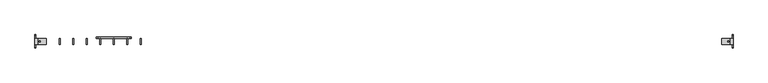
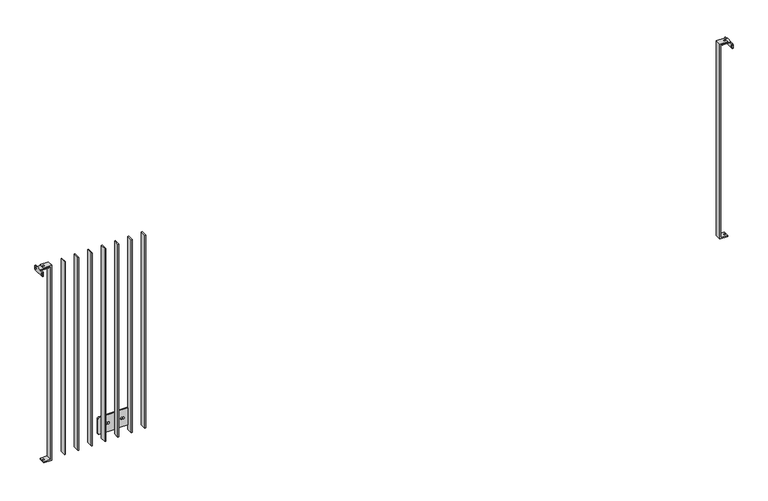
"""IFC4 building model written with IfcOpenShell, lengths in millimetres: railing geometry."""

import ifcopenshell
import ifcopenshell.guid

model = None  # the IFC model being written
_history = None  # IfcOwnerHistory: only IFC2X3 demands one
_inside = {}  # id of a spatial element -> (the spatial element, [elements in it])
_under = {}  # id of a project, library or spatial element -> (it, [spatial elements below it])
_declared = {}  # id of a project -> (the project, [libraries it declares])
_typed = {}  # id of a type object -> (the type object, [elements of that type])
_made_of = {}  # id of a material, layer set ... -> (it, [elements and type objects made of it])


def new_model(schema):
    """Start an empty IFC model of exactly this schema.

    Asked for "IFC4X3", IfcOpenShell would pick the latest addendum, in which some entities
    have other attributes; the version numbers below select the first issue.
    IFC2X3 requires an IfcOwnerHistory on every rooted entity: one is made here for all.
    """
    global model, _history
    if schema == "IFC4X3":
        model = ifcopenshell.file(schema_version=(4, 3, 0, 0))
    else:
        model = ifcopenshell.file(schema=schema)
    _inside.clear()
    _under.clear()
    _declared.clear()
    _typed.clear()
    _made_of.clear()
    _history = None
    if model.schema == "IFC2X3":
        org = make("IfcOrganization", Name="unknown")
        user = make(
            "IfcPersonAndOrganization",
            ThePerson=make("IfcPerson", FamilyName="unknown"),
            TheOrganization=org,
        )
        app = make(
            "IfcApplication",
            ApplicationDeveloper=org,
            Version="unknown",
            ApplicationFullName="unknown",
            ApplicationIdentifier="unknown",
        )
        _history = make(
            "IfcOwnerHistory",
            OwningUser=user,
            OwningApplication=app,
            ChangeAction="ADDED",
            CreationDate=0,
        )
    return model


def make(cls, **values):
    """One entity of the class cls with the attributes given. An attribute that is None is left unset."""
    return model.create_entity(
        cls, **{name: value for name, value in values.items() if value is not None}
    )


def rooted(cls, **values):
    """An entity with a GlobalId (a new one), such as an element, a storey or a relation."""
    return make(cls, GlobalId=ifcopenshell.guid.new(), OwnerHistory=_history, **values)


def si_unit(unit_type, name, prefix=None):
    """IfcSIUnit, for example si_unit("LENGTHUNIT", "METRE", prefix="MILLI")."""
    return make("IfcSIUnit", UnitType=unit_type, Prefix=prefix, Name=name)


def assignment(units):
    """IfcUnitAssignment: the units of a project."""
    return None if units is None else make("IfcUnitAssignment", Units=units)


def point(xyz):
    """IfcCartesianPoint."""
    return None if xyz is None else make("IfcCartesianPoint", Coordinates=xyz)


def direction(xyz):
    """IfcDirection."""
    return None if xyz is None else make("IfcDirection", DirectionRatios=xyz)


def frame(location, z_axis=None, x_axis=None):
    """IfcAxis2Placement3D, a coordinate frame: its origin and axes. An axis left out is left unset."""
    return make(
        "IfcAxis2Placement3D",
        Location=point(location),
        Axis=direction(z_axis),
        RefDirection=direction(x_axis),
    )


def origin():
    """The frame at (0, 0, 0) with its axes left unset."""
    return frame((0.0, 0.0, 0.0))


def place(relative_to, where):
    """IfcLocalPlacement: puts the frame where relative to a parent placement (None: the world)."""
    return make(
        "IfcLocalPlacement", PlacementRelTo=relative_to, RelativePlacement=where
    )


def context(
    kind, dimensions, precision=None, world=None, true_north=None, identifier=None
):
    """IfcGeometricRepresentationContext, for example the 3D "Model" context."""
    return make(
        "IfcGeometricRepresentationContext",
        ContextIdentifier=identifier,
        ContextType=kind,
        CoordinateSpaceDimension=dimensions,
        Precision=precision,
        WorldCoordinateSystem=world,
        TrueNorth=true_north,
    )


def project(units=None, contexts=None):
    """IfcProject with its units and contexts."""
    return rooted(
        "IfcProject",
        Name="project",
        RepresentationContexts=contexts,
        UnitsInContext=assignment(units),
    )


def spatial(cls, under=None, at=None, **own):
    """A site, building, storey or space (cls), placed at a placement, below another one or the project."""
    s = rooted(cls, ObjectPlacement=at, **own)
    if under is not None:
        _under.setdefault(under.id(), (under, []))[1].append(s)
    return s


def polyline(points):
    """IfcPolyline through the points."""
    return make("IfcPolyline", Points=[point(p) for p in points])


def circle_curve(where, radius):
    """IfcCircle in the frame where."""
    return make("IfcCircle", Position=where, Radius=radius)


def outline(outer, holes=None, kind="AREA"):
    """IfcArbitraryClosedProfileDef: a profile drawn as a closed curve; with holes, ...WithVoids."""
    if holes is None:
        return make("IfcArbitraryClosedProfileDef", ProfileType=kind, OuterCurve=outer)
    return make(
        "IfcArbitraryProfileDefWithVoids",
        ProfileType=kind,
        OuterCurve=outer,
        InnerCurves=holes,
    )


def extrude(swept, where, along, depth):
    """IfcExtrudedAreaSolid: the profile swept, set in the frame where, extruded along a direction by depth."""
    return make(
        "IfcExtrudedAreaSolid",
        SweptArea=swept,
        Position=where,
        ExtrudedDirection=direction(along),
        Depth=depth,
    )


def shape(context_of_items, identifier, shape_type, items):
    """IfcShapeRepresentation: the items that make up one representation, for example the "Body"."""
    return make(
        "IfcShapeRepresentation",
        ContextOfItems=context_of_items,
        RepresentationIdentifier=identifier,
        RepresentationType=shape_type,
        Items=items,
    )


def source(mapping_origin, context_of_items, identifier, shape_type, items):
    """IfcRepresentationMap: a shape defined once, which mapped items show again and again."""
    return make(
        "IfcRepresentationMap",
        MappingOrigin=mapping_origin,
        MappedRepresentation=shape(context_of_items, identifier, shape_type, items),
    )


def transform(
    local_origin,
    x_axis=None,
    y_axis=None,
    z_axis=None,
    scale=None,
    scale2=None,
    scale3=None,
    uniform=True,
):
    """IfcCartesianTransformationOperator3D, or its non-uniform kind. x_axis, y_axis, z_axis: its Axis1, 2, 3."""
    if uniform:
        return make(
            "IfcCartesianTransformationOperator3D",
            Axis1=direction(x_axis),
            Axis2=direction(y_axis),
            LocalOrigin=point(local_origin),
            Scale=scale,
            Axis3=direction(z_axis),
        )
    return make(
        "IfcCartesianTransformationOperator3DnonUniform",
        Axis1=direction(x_axis),
        Axis2=direction(y_axis),
        LocalOrigin=point(local_origin),
        Scale=scale,
        Axis3=direction(z_axis),
        Scale2=scale2,
        Scale3=scale3,
    )


def mapped(mapping_source, mapping_target):
    """IfcMappedItem: shows the shape of a source again, moved by a transform."""
    return make(
        "IfcMappedItem", MappingSource=mapping_source, MappingTarget=mapping_target
    )


def made_of(thing, what):
    """Note that an element or type object is made of a material, layer set ...; save() writes the relation."""
    if what is not None:
        _made_of.setdefault(what.id(), (what, []))[1].append(thing)
    return thing


def element(
    cls,
    number,
    at=None,
    inside=None,
    cuts=None,
    type_object=None,
    material=None,
    context=None,
    identifier="Body",
    shape_type=None,
    held_by="IfcProductDefinitionShape",
    body=None,
    shapes=None,
    **own,
):
    """One element of the class cls, such as IfcWall. Its Tag is "e" and its number.

    at: its placement. inside: the storey or other place that contains it. cuts: it is an
    opening in that element (IfcRelVoidsElement). A single representation is given by context,
    identifier, shape_type and body (its items); several are given by shapes. held_by: the class
    of the entity that holds the representations. save() writes the other relations.
    """
    e = rooted(cls, Tag="e%d" % number, ObjectPlacement=at, **own)
    if body is not None:
        shapes = [shape(context, identifier, shape_type, body)]
    if shapes is not None:
        e.Representation = make(held_by, Representations=shapes)
    if inside is not None:
        _inside.setdefault(inside.id(), (inside, []))[1].append(e)
    if cuts is not None:
        rooted(
            "IfcRelVoidsElement", RelatingBuildingElement=cuts, RelatedOpeningElement=e
        )
    if type_object is not None:
        _typed.setdefault(type_object.id(), (type_object, []))[1].append(e)
    return made_of(e, material)


def aggregate(whole, parts):
    """IfcRelAggregates: a whole, such as a stair, and the parts it consists of."""
    return rooted("IfcRelAggregates", RelatingObject=whole, RelatedObjects=parts)


def save(model, path):
    """Write the relations noted so far, then the file.

    IfcRelAggregates (storeys below a building ...), IfcRelContainedInSpatialStructure (elements
    in a storey), IfcRelDefinesByType, IfcRelAssociatesMaterial and IfcRelDeclares: one each for
    every whole, place, type object, material and project.
    """
    for whole, parts in _under.values():
        aggregate(whole, parts)
    for where, things in _inside.values():
        rooted(
            "IfcRelContainedInSpatialStructure",
            RelatedElements=things,
            RelatingStructure=where,
        )
    for kind, things in _typed.values():
        rooted("IfcRelDefinesByType", RelatedObjects=things, RelatingType=kind)
    for what, things in _made_of.values():
        rooted("IfcRelAssociatesMaterial", RelatedObjects=things, RelatingMaterial=what)
    for by, libraries in _declared.values():
        rooted("IfcRelDeclares", RelatingContext=by, RelatedDefinitions=libraries)
    model.write(path)


def plane_surface(at):
    """IfcPlane: the flat surface through the origin of the frame at, square to its z axis."""
    return make("IfcPlane", Position=at)


def cylinder_surface(at, radius):
    """IfcCylindricalSurface: all points at the distance radius from the z axis of the frame at."""
    return make("IfcCylindricalSurface", Position=at, Radius=radius)


def revolved_surface(curve, axis_point, axis_direction):
    """IfcSurfaceOfRevolution: the curve turned about the line through axis_point along axis_direction."""
    return make(
        "IfcSurfaceOfRevolution",
        SweptCurve=make("IfcArbitraryOpenProfileDef", ProfileType="CURVE", Curve=curve),
        AxisPosition=make("IfcAxis1Placement", Location=point(axis_point), Axis=direction(axis_direction)),
    )


def advanced_brep(points, edges, surfaces, faces):
    """IfcAdvancedBrep: a solid bounded by faces that lie on surfaces and meet in shared edges.

    An edge is (start, end): straight between two places in points (the first is 0);
    or (start, end, curve); or (start, end, curve, False) where it runs against its curve.
    A face is (place in surfaces, loops), or (place, loops, False) where it looks against
    its surface's normal. A loop lists edges by number (the first is 1), with a minus sign
    where the edge is run from its end to its start. The first loop is the outer one.
    """
    corners = [point(p) for p in points]
    vertices = [make("IfcVertexPoint", VertexGeometry=c) for c in corners]
    made = []
    for start, end, *more in edges:
        made.append(
            make(
                "IfcEdgeCurve",
                EdgeStart=vertices[start],
                EdgeEnd=vertices[end],
                EdgeGeometry=more[0] if more else make("IfcPolyline", Points=[corners[start], corners[end]]),
                SameSense=more[1] if len(more) > 1 else True,
            )
        )
    hull = []
    for where, loops, *sense in faces:
        bounds = []
        for j, loop in enumerate(loops):
            ring = [make("IfcOrientedEdge", EdgeElement=made[abs(k) - 1], Orientation=k > 0) for k in loop]
            bounds.append(
                make(
                    "IfcFaceOuterBound" if j == 0 else "IfcFaceBound",
                    Bound=make("IfcEdgeLoop", EdgeList=ring),
                    Orientation=True,
                )
            )
        hull.append(make("IfcAdvancedFace", Bounds=bounds, FaceSurface=surfaces[where], SameSense=sense[0] if sense else True))
    return make("IfcAdvancedBrep", Outer=make("IfcClosedShell", CfsFaces=hull))


def railing_6406e5f0(model_context):
    return source(origin(), model_context, "Body", "SolidModel", [
        extrude(outline(polyline([(1837.4711935, -1089.1783245), (1843.4711935, -1089.1783245), (1843.4711935, -1129.1783245), (1837.4711935, -1129.1783245), (1837.4711935, -1089.1783245)])), frame((0.0, 0.0, -182.0), z_axis=(0.0, 0.0, 1.0), x_axis=(1.0, 0.0, 0.0)), (0.0, 0.0, 1.0), 1374.0),
        extrude(outline(polyline([(1747.4711935, -1089.1783245), (1753.4711935, -1089.1783245), (1753.4711935, -1129.1783245), (1747.4711935, -1129.1783245), (1747.4711935, -1089.1783245)])), frame((0.0, 0.0, -182.0), z_axis=(0.0, 0.0, 1.0), x_axis=(1.0, 0.0, 0.0)), (0.0, 0.0, 1.0), 1374.0),
        advanced_brep(
        [(1657.4711935, -1129.1783245, 1192.0), (1657.4711935, -1129.1783245, -182.0), (1663.4711935, -1129.1783245, -182.0), (1663.4711935, -1129.1783245, 1192.0), (1657.4711935, -1089.1783245, 1192.0), (1663.4711935, -1089.1783245, 1192.0), (1663.4711935, -1089.1783245, -30.0), (1657.4711935, -1089.1783245, -30.0), (1663.4711935, -1089.1783245, -182.0), (1657.4711935, -1089.1783245, -182.0), (1657.4711935, -1089.1783245, -150.0), (1663.4711935, -1089.1783245, -150.0), (1765.4711935, -1081.1783245, -150.0), (1555.4711935, -1081.1783245, -150.0), (1545.4711935, -1081.1783245, -140.0), (1545.4711935, -1081.1783245, -40.0), (1555.4711935, -1081.1783245, -30.0), (1765.4711935, -1081.1783245, -30.0), (1775.4711935, -1081.1783245, -40.0), (1775.4711935, -1081.1783245, -140.0), (1615.4711935, -1081.1783245, -97.0), (1615.4711935, -1081.1783245, -83.0), (1605.4711935, -1081.1783245, -83.0), (1605.4711935, -1081.1783245, -97.0), (1705.4711935, -1081.1783245, -97.0), (1715.4711935, -1081.1783245, -97.0), (1715.4711935, -1081.1783245, -83.0), (1705.4711935, -1081.1783245, -83.0), (1765.4711935, -1089.1783245, -150.0), (1775.4711935, -1089.1783245, -140.0), (1775.4711935, -1089.1783245, -40.0), (1765.4711935, -1089.1783245, -30.0), (1705.4711935, -1089.1783245, -97.0), (1705.4711935, -1089.1783245, -83.0), (1715.4711935, -1089.1783245, -83.0), (1715.4711935, -1089.1783245, -97.0), (1555.4711935, -1089.1783245, -30.0), (1545.4711935, -1089.1783245, -40.0), (1545.4711935, -1089.1783245, -140.0), (1555.4711935, -1089.1783245, -150.0), (1615.4711935, -1089.1783245, -97.0), (1605.4711935, -1089.1783245, -97.0), (1605.4711935, -1089.1783245, -83.0), (1615.4711935, -1089.1783245, -83.0)],
        [
            (0, 1),
            (1, 2),
            (2, 3),
            (3, 0),
            (4, 5),
            (5, 6),
            (6, 7),
            (7, 4),
            (8, 9),
            (9, 10),
            (10, 11),
            (11, 8),
            (3, 5),
            (4, 0),
            (7, 10),
            (9, 1),
            (2, 8),
            (11, 6),
            (12, 13),
            (13, 14, circle_curve(frame((1555.4711935, -1081.1783245, -140.0), z_axis=(0.0, 1.0, 0.0), x_axis=(-1.0, 0.0, 0.0)), 10.0)),
            (14, 15),
            (15, 16, circle_curve(frame((1555.4711935, -1081.1783245, -40.0), z_axis=(0.0, 1.0, 0.0), x_axis=(-1.0, 0.0, 0.0)), 10.0)),
            (16, 17),
            (17, 18, circle_curve(frame((1765.4711935, -1081.1783245, -40.0), z_axis=(0.0, 1.0, 0.0), x_axis=(-1.0, 0.0, 0.0)), 10.0)),
            (18, 19),
            (19, 12, circle_curve(frame((1765.4711935, -1081.1783245, -140.0), z_axis=(0.0, 1.0, 0.0), x_axis=(-1.0, 0.0, 0.0)), 10.0)),
            (20, 21, circle_curve(frame((1615.4711935, -1081.1783245, -90.0), z_axis=(0.0, -1.0, 0.0), x_axis=(-1.0, 0.0, 0.0)), 7.0)),
            (21, 22),
            (22, 23, circle_curve(frame((1605.4711935, -1081.1783245, -90.0), z_axis=(0.0, -1.0, 0.0), x_axis=(-1.0, 0.0, 0.0)), 7.0)),
            (23, 20),
            (24, 25),
            (25, 26, circle_curve(frame((1715.4711935, -1081.1783245, -90.0), z_axis=(0.0, -1.0, 0.0), x_axis=(-1.0, 0.0, 0.0)), 7.0)),
            (26, 27),
            (27, 24, circle_curve(frame((1705.4711935, -1081.1783245, -90.0), z_axis=(0.0, -1.0, 0.0), x_axis=(-1.0, 0.0, 0.0)), 7.0)),
            (28, 29, circle_curve(frame((1765.4711935, -1089.1783245, -140.0), z_axis=(0.0, -1.0, 0.0), x_axis=(-1.0, 0.0, 0.0)), 10.0)),
            (29, 30),
            (30, 31, circle_curve(frame((1765.4711935, -1089.1783245, -40.0), z_axis=(0.0, -1.0, 0.0), x_axis=(-1.0, 0.0, 0.0)), 10.0)),
            (31, 6),
            (11, 28),
            (32, 33, circle_curve(frame((1705.4711935, -1089.1783245, -90.0), z_axis=(0.0, 1.0, 0.0), x_axis=(-1.0, 0.0, 0.0)), 7.0)),
            (33, 34),
            (34, 35, circle_curve(frame((1715.4711935, -1089.1783245, -90.0), z_axis=(0.0, 1.0, 0.0), x_axis=(-1.0, 0.0, 0.0)), 7.0)),
            (35, 32),
            (36, 37, circle_curve(frame((1555.4711935, -1089.1783245, -40.0), z_axis=(0.0, -1.0, 0.0), x_axis=(-1.0, 0.0, 0.0)), 10.0)),
            (37, 38),
            (38, 39, circle_curve(frame((1555.4711935, -1089.1783245, -140.0), z_axis=(0.0, -1.0, 0.0), x_axis=(-1.0, 0.0, 0.0)), 10.0)),
            (39, 10),
            (7, 36),
            (40, 41),
            (41, 42, circle_curve(frame((1605.4711935, -1089.1783245, -90.0), z_axis=(0.0, 1.0, 0.0), x_axis=(-1.0, 0.0, 0.0)), 7.0)),
            (42, 43),
            (43, 40, circle_curve(frame((1615.4711935, -1089.1783245, -90.0), z_axis=(0.0, 1.0, 0.0), x_axis=(-1.0, 0.0, 0.0)), 7.0)),
            (12, 28),
            (39, 13),
            (38, 14),
            (37, 15),
            (36, 16),
            (31, 17),
            (30, 18),
            (29, 19),
            (20, 40),
            (43, 21),
            (42, 22),
            (41, 23),
            (24, 32),
            (35, 25),
            (34, 26),
            (33, 27),
        ],
        [
            plane_surface(frame((1657.4711935, -1129.1783245, 1192.0), z_axis=(0.0, -1.0, 0.0), x_axis=(-1.0, 0.0, 0.0))),
            plane_surface(frame((1657.4711935, -1089.1783245, 1192.0), z_axis=(0.0, 1.0, 0.0), x_axis=(1.0, 0.0, 0.0))),
            plane_surface(frame((1657.4711935, -1089.1783245, 1192.0), z_axis=(0.0, 0.0, 1.0), x_axis=(0.0, -1.0, 0.0))),
            plane_surface(frame((1657.4711935, -1089.1783245, -182.0), z_axis=(-1.0, 0.0, 0.0), x_axis=(0.0, -1.0, 0.0))),
            plane_surface(frame((1663.4711935, -1089.1783245, 1192.0), z_axis=(1.0, 0.0, 0.0), x_axis=(0.0, -1.0, 0.0))),
            plane_surface(frame((1570.4711935, -1081.1783245, -150.0), z_axis=(0.0, 1.0, 0.0), x_axis=(-1.0, 0.0, 0.0))),
            plane_surface(frame((1570.4711935, -1089.1783245, -150.0), z_axis=(0.0, -1.0, 0.0), x_axis=(1.0, 0.0, 0.0))),
            plane_surface(frame((1765.4711935, -1081.1783245, -150.0), z_axis=(0.0, 0.0, -1.0), x_axis=(0.0, -1.0, 0.0))),
            cylinder_surface(frame((1555.4711935, -1089.1783245, -140.0), z_axis=(0.0, 1.0, 0.0), x_axis=(-1.0, 0.0, 0.0)), 10.0),
            plane_surface(frame((1545.4711935, -1081.1783245, -140.0), z_axis=(-1.0, 0.0, 0.0), x_axis=(0.0, -1.0, 0.0))),
            cylinder_surface(frame((1555.4711935, -1089.1783245, -40.0), z_axis=(0.0, 1.0, 0.0), x_axis=(-1.0, 0.0, 0.0)), 10.0),
            plane_surface(frame((1555.4711935, -1081.1783245, -30.0), z_axis=(0.0, 0.0, 1.0), x_axis=(0.0, -1.0, 0.0))),
            cylinder_surface(frame((1765.4711935, -1089.1783245, -40.0), z_axis=(0.0, 1.0, 0.0), x_axis=(-1.0, 0.0, 0.0)), 10.0),
            plane_surface(frame((1775.4711935, -1081.1783245, -40.0), z_axis=(1.0, 0.0, 0.0), x_axis=(0.0, -1.0, 0.0))),
            cylinder_surface(frame((1765.4711935, -1089.1783245, -140.0), z_axis=(0.0, 1.0, 0.0), x_axis=(-1.0, 0.0, 0.0)), 10.0),
            revolved_surface(polyline([(1608.4711935, -1089.1783245, -90.0), (1608.4711935, -1081.1783245, -90.0)]), (1615.4711935, -1109.1783245, -90.0), (0.0, -1.0, 0.0)),
            plane_surface(frame((1615.4711935, -1081.1783245, -83.0), z_axis=(0.0, 0.0, -1.0), x_axis=(0.0, -1.0, 0.0))),
            revolved_surface(polyline([(1598.4711935, -1089.1783245, -90.0), (1598.4711935, -1081.1783245, -90.0)]), (1605.4711935, -1109.1783245, -90.0), (0.0, -1.0, 0.0)),
            plane_surface(frame((1605.4711935, -1081.1783245, -97.0), z_axis=(0.0, 0.0, 1.0), x_axis=(0.0, -1.0, 0.0))),
            plane_surface(frame((1705.4711935, -1081.1783245, -97.0), z_axis=(0.0, 0.0, 1.0), x_axis=(0.0, -1.0, 0.0))),
            revolved_surface(polyline([(1708.4711935, -1089.1783245, -90.0), (1708.4711935, -1081.1783245, -90.0)]), (1715.4711935, -1109.1783245, -90.0), (0.0, -1.0, 0.0)),
            plane_surface(frame((1715.4711935, -1081.1783245, -83.0), z_axis=(0.0, 0.0, -1.0), x_axis=(0.0, -1.0, 0.0))),
            revolved_surface(polyline([(1698.4711935, -1089.1783245, -90.0), (1698.4711935, -1081.1783245, -90.0)]), (1705.4711935, -1109.1783245, -90.0), (0.0, -1.0, 0.0)),
            plane_surface(frame((1663.4711935, -1089.1783245, -182.0), z_axis=(0.0, 0.0, -1.0), x_axis=(0.0, -1.0, 0.0))),
        ],
        [
            (0, [[1, 2, 3, 4]]),
            (1, [[5, 6, 7, 8]]),
            (1, [[9, 10, 11, 12]]),
            (2, [[-4, 13, -5, 14]]),
            (3, [[-1, -14, -8, 15, -10, 16]]),
            (4, [[-3, 17, -12, 18, -6, -13]]),
            (5, [[19, 20, 21, 22, 23, 24, 25, 26], [27, 28, 29, 30], [31, 32, 33, 34]]),
            (6, [[35, 36, 37, 38, -18, 39], [40, 41, 42, 43]]),
            (6, [[44, 45, 46, 47, -15, 48], [49, 50, 51, 52]]),
            (7, [[-19, 53, -39, -11, -47, 54]]),
            (8, [[-20, -54, -46, 55]]),
            (9, [[-21, -55, -45, 56]]),
            (10, [[-22, -56, -44, 57]]),
            (11, [[-23, -57, -48, -7, -38, 58]]),
            (12, [[-24, -58, -37, 59]]),
            (13, [[-25, -59, -36, 60]]),
            (14, [[-26, -60, -35, -53]]),
            (15, [[-27, 61, -52, 62]]),
            (16, [[-28, -62, -51, 63]]),
            (17, [[-29, -63, -50, 64]]),
            (18, [[-30, -64, -49, -61]]),
            (19, [[-31, 65, -43, 66]]),
            (20, [[-32, -66, -42, 67]]),
            (21, [[-33, -67, -41, 68]]),
            (22, [[-34, -68, -40, -65]]),
            (23, [[-2, -16, -9, -17]]),
        ],
    ),
        extrude(outline(polyline([(1567.4711935, -1089.1783245), (1573.4711935, -1089.1783245), (1573.4711935, -1129.1783245), (1567.4711935, -1129.1783245), (1567.4711935, -1089.1783245)])), frame((0.0, 0.0, -182.0), z_axis=(0.0, 0.0, 1.0), x_axis=(1.0, 0.0, 0.0)), (0.0, 0.0, 1.0), 1374.0),
        extrude(outline(polyline([(1477.4711935, -1089.1783245), (1483.4711935, -1089.1783245), (1483.4711935, -1129.1783245), (1477.4711935, -1129.1783245), (1477.4711935, -1089.1783245)])), frame((0.0, 0.0, -182.0), z_axis=(0.0, 0.0, 1.0), x_axis=(1.0, 0.0, 0.0)), (0.0, 0.0, 1.0), 1374.0),
        extrude(outline(polyline([(1387.4711935, -1089.1783245), (1393.4711935, -1089.1783245), (1393.4711935, -1129.1783245), (1387.4711935, -1129.1783245), (1387.4711935, -1089.1783245)])), frame((0.0, 0.0, -182.0), z_axis=(0.0, 0.0, 1.0), x_axis=(1.0, 0.0, 0.0)), (0.0, 0.0, 1.0), 1374.0),
        extrude(outline(polyline([(1297.4711935, -1089.1783245), (1303.4711935, -1089.1783245), (1303.4711935, -1129.1783245), (1297.4711935, -1129.1783245), (1297.4711935, -1089.1783245)])), frame((0.0, 0.0, -182.0), z_axis=(0.0, 0.0, 1.0), x_axis=(1.0, 0.0, 0.0)), (0.0, 0.0, 1.0), 1374.0),
        advanced_brep(
        [(5710.4711935, -1129.1783245, 1200.0), (5710.4711935, -1129.1783245, -190.0), (5763.4711935, -1129.1783245, -190.0), (5763.4711935, -1129.1783245, -182.0), (5716.4711935, -1129.1783245, -182.0), (5716.4711935, -1129.1783245, 1192.0), (5763.4711935, -1129.1783245, 1192.0), (5763.4711935, -1129.1783245, 1200.0), (5710.4711935, -1089.1783245, 1200.0), (5763.4711935, -1089.1783245, 1200.0), (5763.4711935, -1089.1783245, 1192.0), (5716.4711935, -1089.1783245, 1192.0), (5716.4711935, -1089.1783245, -182.0), (5763.4711935, -1089.1783245, -182.0), (5763.4711935, -1089.1783245, -190.0), (5710.4711935, -1089.1783245, -190.0), (5757.9711935, -1109.1783245, -190.0), (5748.9711935, -1109.1783245, -190.0), (5748.9711935, -1109.1783245, -182.0), (5757.9711935, -1109.1783245, -182.0), (5757.9711935, -1109.1783245, 1192.0), (5748.9711935, -1109.1783245, 1192.0), (5748.9711935, -1109.1783245, 1200.0), (5757.9711935, -1109.1783245, 1200.0)],
        [
            (0, 1),
            (1, 2),
            (2, 3),
            (3, 4),
            (4, 5),
            (5, 6),
            (6, 7),
            (7, 0),
            (8, 9),
            (9, 10),
            (10, 11),
            (11, 12),
            (12, 13),
            (13, 14),
            (14, 15),
            (15, 8),
            (0, 8),
            (15, 1),
            (14, 2),
            (16, 17, circle_curve(frame((5753.4711935, -1109.1783245, -190.0), z_axis=(0.0, 0.0, 1.0), x_axis=(1.0, 0.0, 0.0)), 4.5)),
            (17, 16, circle_curve(frame((5753.4711935, -1109.1783245, -190.0), z_axis=(0.0, 0.0, 1.0), x_axis=(1.0, 0.0, 0.0)), 4.5)),
            (13, 3),
            (12, 4),
            (18, 19, circle_curve(frame((5753.4711935, -1109.1783245, -182.0), z_axis=(0.0, 0.0, -1.0), x_axis=(1.0, 0.0, 0.0)), 4.5)),
            (19, 18, circle_curve(frame((5753.4711935, -1109.1783245, -182.0), z_axis=(0.0, 0.0, -1.0), x_axis=(1.0, 0.0, 0.0)), 4.5)),
            (11, 5),
            (10, 6),
            (20, 21, circle_curve(frame((5753.4711935, -1109.1783245, 1192.0), z_axis=(0.0, 0.0, 1.0), x_axis=(1.0, 0.0, 0.0)), 4.5)),
            (21, 20, circle_curve(frame((5753.4711935, -1109.1783245, 1192.0), z_axis=(0.0, 0.0, 1.0), x_axis=(1.0, 0.0, 0.0)), 4.5)),
            (9, 7),
            (22, 23, circle_curve(frame((5753.4711935, -1109.1783245, 1200.0), z_axis=(0.0, 0.0, -1.0), x_axis=(1.0, 0.0, 0.0)), 4.5)),
            (23, 22, circle_curve(frame((5753.4711935, -1109.1783245, 1200.0), z_axis=(0.0, 0.0, -1.0), x_axis=(1.0, 0.0, 0.0)), 4.5)),
            (16, 19),
            (18, 17),
            (20, 23),
            (22, 21),
        ],
        [
            plane_surface(frame((5710.4711935, -1129.1783245, 1200.0), z_axis=(0.0, -1.0, 0.0), x_axis=(-1.0, 0.0, 0.0))),
            plane_surface(frame((5710.4711935, -1089.1783245, 1200.0), z_axis=(0.0, 1.0, 0.0), x_axis=(1.0, 0.0, 0.0))),
            plane_surface(frame((5710.4711935, -1089.1783245, -190.0), z_axis=(-1.0, 0.0, 0.0), x_axis=(0.0, -1.0, 0.0))),
            plane_surface(frame((5763.4711935, -1089.1783245, -190.0), z_axis=(0.0, 0.0, -1.0), x_axis=(0.0, -1.0, 0.0))),
            plane_surface(frame((5763.4711935, -1089.1783245, -182.0), z_axis=(1.0, 0.0, 1.737451849059295e-12), x_axis=(0.0, -1.0, 0.0))),
            plane_surface(frame((5716.4711935, -1089.1783245, -182.0), z_axis=(0.0, 0.0, 1.0), x_axis=(0.0, -1.0, 0.0))),
            plane_surface(frame((5716.4711935, -1089.1783245, 1192.0), z_axis=(1.0, 0.0, 0.0), x_axis=(0.0, -1.0, 0.0))),
            plane_surface(frame((5763.4711935, -1089.1783245, 1192.0), z_axis=(0.0, 0.0, -1.0), x_axis=(0.0, -1.0, 0.0))),
            plane_surface(frame((5763.4711935, -1089.1783245, 1200.0), z_axis=(1.0, 0.0, 0.0), x_axis=(0.0, -1.0, 0.0))),
            plane_surface(frame((5710.4711935, -1089.1783245, 1200.0), z_axis=(0.0, 0.0, 1.0), x_axis=(0.0, -1.0, 0.0))),
            revolved_surface(polyline([(5757.9711935, -1109.1783245, -182.0), (5757.9711935, -1109.1783245, -190.0)]), (5753.4711935, -1109.1783245, -800.0), (0.0, 0.0, 1.0)),
            revolved_surface(polyline([(5757.9711935, -1109.1783245, 1200.0), (5757.9711935, -1109.1783245, 1192.0)]), (5753.4711935, -1109.1783245, -800.0), (0.0, 0.0, 1.0)),
        ],
        [
            (0, [[1, 2, 3, 4, 5, 6, 7, 8]]),
            (1, [[9, 10, 11, 12, 13, 14, 15, 16]]),
            (2, [[-1, 17, -16, 18]]),
            (3, [[-2, -18, -15, 19], [20, 21]]),
            (4, [[-3, -19, -14, 22]]),
            (5, [[-4, -22, -13, 23], [24, 25]]),
            (6, [[-5, -23, -12, 26]]),
            (7, [[-6, -26, -11, 27], [28, 29]]),
            (8, [[-7, -27, -10, 30]]),
            (9, [[-8, -30, -9, -17], [31, 32]]),
            (10, [[33, -24, 34, -20]]),
            (11, [[35, -31, 36, -28]]),
            (10, [[-33, -21, -34, -25]]),
            (11, [[-35, -29, -36, -32]]),
        ],
    ),
        advanced_brep(
        [(5785.4711935, -1129.1783245, 1192.0), (5785.4711935, -1089.1783245, 1192.0), (5730.4711935, -1089.1783245, 1192.0), (5725.4711935, -1094.1783245, 1192.0), (5725.4711935, -1124.1783245, 1192.0), (5730.4711935, -1129.1783245, 1192.0), (5757.4711935, -1113.6783245, 1192.0), (5737.4711935, -1113.6783245, 1192.0), (5737.4711935, -1104.6783245, 1192.0), (5757.4711935, -1104.6783245, 1192.0), (5730.4711935, -1129.1783245, 1187.0), (5725.4711935, -1124.1783245, 1187.0), (5725.4711935, -1094.1783245, 1187.0), (5730.4711935, -1089.1783245, 1187.0), (5780.4711935, -1089.1783245, 1187.0), (5780.4711935, -1129.1783245, 1187.0), (5757.4711935, -1113.6783245, 1187.0), (5757.4711935, -1104.6783245, 1187.0), (5737.4711935, -1104.6783245, 1187.0), (5737.4711935, -1113.6783245, 1187.0), (5785.4711935, -1129.1783245, 1187.0), (5785.4711935, -1089.1783245, 1187.0), (5785.4711935, -1149.1783245, 1187.0), (5785.4711935, -1154.1783245, 1182.0), (5785.4711935, -1154.1783245, 1162.0), (5785.4711935, -1149.1783245, 1157.0), (5785.4711935, -1069.1783245, 1157.0), (5785.4711935, -1064.1783245, 1162.0), (5785.4711935, -1064.1783245, 1182.0), (5785.4711935, -1069.1783245, 1187.0), (5785.4711935, -1078.1783245, 1172.0), (5785.4711935, -1069.1783245, 1172.0), (5785.4711935, -1149.1783245, 1172.0), (5785.4711935, -1140.1783245, 1172.0), (5780.4711935, -1154.1783245, 1162.0), (5780.4711935, -1154.1783245, 1182.0), (5780.4711935, -1149.1783245, 1187.0), (5780.4711935, -1069.1783245, 1187.0), (5780.4711935, -1064.1783245, 1182.0), (5780.4711935, -1064.1783245, 1162.0), (5780.4711935, -1069.1783245, 1157.0), (5780.4711935, -1149.1783245, 1157.0), (5780.4711935, -1078.1783245, 1172.0), (5780.4711935, -1069.1783245, 1172.0), (5780.4711935, -1149.1783245, 1172.0), (5780.4711935, -1140.1783245, 1172.0)],
        [
            (0, 1),
            (1, 2),
            (2, 3, circle_curve(frame((5730.4711935, -1094.1783245, 1192.0), z_axis=(0.0, 0.0, 1.0), x_axis=(0.0, 1.0, 0.0)), 5.0)),
            (3, 4),
            (4, 5, circle_curve(frame((5730.4711935, -1124.1783245, 1192.0), z_axis=(0.0, 0.0, 1.0), x_axis=(0.0, 1.0, 0.0)), 5.0)),
            (5, 0),
            (6, 7),
            (7, 8, circle_curve(frame((5737.4711935, -1109.1783245, 1192.0), z_axis=(0.0, 0.0, -1.0), x_axis=(0.0, 1.0, 0.0)), 4.5)),
            (8, 9),
            (9, 6, circle_curve(frame((5757.4711935, -1109.1783245, 1192.0), z_axis=(0.0, 0.0, -1.0), x_axis=(0.0, 1.0, 0.0)), 4.5)),
            (10, 11, circle_curve(frame((5730.4711935, -1124.1783245, 1187.0), z_axis=(0.0, 0.0, -1.0), x_axis=(0.0, 1.0, 0.0)), 5.0)),
            (11, 12),
            (12, 13, circle_curve(frame((5730.4711935, -1094.1783245, 1187.0), z_axis=(0.0, 0.0, -1.0), x_axis=(0.0, 1.0, 0.0)), 5.0)),
            (13, 14),
            (14, 15),
            (15, 10),
            (16, 17, circle_curve(frame((5757.4711935, -1109.1783245, 1187.0), z_axis=(0.0, 0.0, 1.0), x_axis=(0.0, 1.0, 0.0)), 4.5)),
            (17, 18),
            (18, 19, circle_curve(frame((5737.4711935, -1109.1783245, 1187.0), z_axis=(0.0, 0.0, 1.0), x_axis=(0.0, 1.0, 0.0)), 4.5)),
            (19, 16),
            (5, 10),
            (15, 20),
            (20, 0),
            (3, 12),
            (11, 4),
            (1, 21),
            (21, 14),
            (13, 2),
            (20, 22),
            (22, 23, circle_curve(frame((5785.4711935, -1149.1783245, 1182.0), z_axis=(1.0, 0.0, 0.0), x_axis=(0.0, 1.0, 0.0)), 5.0)),
            (23, 24),
            (24, 25, circle_curve(frame((5785.4711935, -1149.1783245, 1162.0), z_axis=(1.0, 0.0, 0.0), x_axis=(0.0, 1.0, 0.0)), 5.0)),
            (25, 26),
            (26, 27, circle_curve(frame((5785.4711935, -1069.1783245, 1162.0), z_axis=(1.0, 0.0, 0.0), x_axis=(0.0, 1.0, 0.0)), 5.0)),
            (27, 28),
            (28, 29, circle_curve(frame((5785.4711935, -1069.1783245, 1182.0), z_axis=(1.0, 0.0, 0.0), x_axis=(0.0, 1.0, 0.0)), 5.0)),
            (29, 21),
            (30, 31, circle_curve(frame((5785.4711935, -1073.6783245, 1172.0), z_axis=(-1.0, 0.0, 0.0), x_axis=(0.0, 1.0, 0.0)), 4.5)),
            (31, 30, circle_curve(frame((5785.4711935, -1073.6783245, 1172.0), z_axis=(-1.0, 0.0, 0.0), x_axis=(0.0, 1.0, 0.0)), 4.5)),
            (32, 33, circle_curve(frame((5785.4711935, -1144.6783245, 1172.0), z_axis=(-1.0, 0.0, 0.0), x_axis=(0.0, 1.0, 0.0)), 4.5)),
            (33, 32, circle_curve(frame((5785.4711935, -1144.6783245, 1172.0), z_axis=(-1.0, 0.0, 0.0), x_axis=(0.0, 1.0, 0.0)), 4.5)),
            (9, 17),
            (16, 6),
            (8, 18),
            (7, 19),
            (34, 35),
            (35, 36, circle_curve(frame((5780.4711935, -1149.1783245, 1182.0), z_axis=(-1.0, 0.0, 0.0), x_axis=(0.0, 1.0, 0.0)), 5.0)),
            (36, 15),
            (14, 37),
            (37, 38, circle_curve(frame((5780.4711935, -1069.1783245, 1182.0), z_axis=(-1.0, 0.0, 0.0), x_axis=(0.0, 1.0, 0.0)), 5.0)),
            (38, 39),
            (39, 40, circle_curve(frame((5780.4711935, -1069.1783245, 1162.0), z_axis=(-1.0, 0.0, 0.0), x_axis=(0.0, 1.0, 0.0)), 5.0)),
            (40, 41),
            (41, 34, circle_curve(frame((5780.4711935, -1149.1783245, 1162.0), z_axis=(-1.0, 0.0, 0.0), x_axis=(0.0, 1.0, 0.0)), 5.0)),
            (42, 43, circle_curve(frame((5780.4711935, -1073.6783245, 1172.0), z_axis=(1.0, 0.0, 0.0), x_axis=(0.0, 1.0, 0.0)), 4.5)),
            (43, 42, circle_curve(frame((5780.4711935, -1073.6783245, 1172.0), z_axis=(1.0, 0.0, 0.0), x_axis=(0.0, 1.0, 0.0)), 4.5)),
            (44, 45, circle_curve(frame((5780.4711935, -1144.6783245, 1172.0), z_axis=(1.0, 0.0, 0.0), x_axis=(0.0, 1.0, 0.0)), 4.5)),
            (45, 44, circle_curve(frame((5780.4711935, -1144.6783245, 1172.0), z_axis=(1.0, 0.0, 0.0), x_axis=(0.0, 1.0, 0.0)), 4.5)),
            (41, 25),
            (24, 34),
            (40, 26),
            (39, 27),
            (38, 28),
            (37, 29),
            (36, 22),
            (35, 23),
            (43, 31),
            (30, 42),
            (45, 33),
            (32, 44),
        ],
        [
            plane_surface(frame((5785.4711935, -1089.1783245, 1192.0), z_axis=(0.0, 0.0, 1.0), x_axis=(0.0, 1.0, 0.0))),
            plane_surface(frame((5785.4711935, -1089.1783245, 1187.0), z_axis=(0.0, 0.0, -1.0), x_axis=(0.0, -1.0, 0.0))),
            plane_surface(frame((5730.4711935, -1129.1783245, 1192.0), z_axis=(0.0, -1.0, 0.0), x_axis=(0.0, 0.0, -1.0))),
            plane_surface(frame((5725.4711935, -1094.1783245, 1192.0), z_axis=(-1.0, 0.0, 0.0), x_axis=(0.0, 0.0, -1.0))),
            plane_surface(frame((5785.4711935, -1089.1783245, 1192.0), z_axis=(0.0, 1.0, 0.0), x_axis=(0.0, 0.0, -1.0))),
            plane_surface(frame((5785.4711935, -1129.1783245, 1192.0), z_axis=(1.0, 0.0, 0.0), x_axis=(0.0, 0.0, -1.0))),
            revolved_surface(polyline([(5757.4711935, -1104.6783245, 1187.0), (5757.4711935, -1104.6783245, 1192.0)]), (5757.4711935, -1109.1783245, -182.0), (0.0, 0.0, -1.0)),
            plane_surface(frame((5737.4711935, -1104.6783245, 1192.0), z_axis=(0.0, -1.0, 0.0), x_axis=(0.0, 0.0, -1.0))),
            revolved_surface(polyline([(5737.4711935, -1104.6783245, 1187.0), (5737.4711935, -1104.6783245, 1192.0)]), (5737.4711935, -1109.1783245, -182.0), (0.0, 0.0, -1.0)),
            plane_surface(frame((5757.4711935, -1113.6783245, 1192.0), z_axis=(0.0, 1.0, 0.0), x_axis=(0.0, 0.0, -1.0))),
            cylinder_surface(frame((5730.4711935, -1124.1783245, 1187.0), z_axis=(0.0, 0.0, 1.0), x_axis=(0.0, 1.0, 0.0)), 5.0),
            cylinder_surface(frame((5730.4711935, -1094.1783245, 1187.0), z_axis=(0.0, 0.0, 1.0), x_axis=(0.0, 1.0, 0.0)), 5.0),
            plane_surface(frame((5780.4711935, -1154.1783245, 1182.0), z_axis=(-1.0, 0.0, 0.0), x_axis=(0.0, 0.0, 1.0))),
            cylinder_surface(frame((5785.4711935, -1149.1783245, 1162.0), z_axis=(-1.0, 0.0, 0.0), x_axis=(0.0, 1.0, 0.0)), 5.0),
            plane_surface(frame((5780.4711935, -1069.1783245, 1157.0), z_axis=(0.0, 0.0, -1.0), x_axis=(1.0, 0.0, 0.0))),
            cylinder_surface(frame((5785.4711935, -1069.1783245, 1162.0), z_axis=(-1.0, 0.0, 0.0), x_axis=(0.0, 1.0, 0.0)), 5.0),
            plane_surface(frame((5780.4711935, -1064.1783245, 1182.0), z_axis=(0.0, 1.0, -1.4537068216276442e-11), x_axis=(1.0, 0.0, 0.0))),
            cylinder_surface(frame((5785.4711935, -1069.1783245, 1182.0), z_axis=(-1.0, 0.0, 0.0), x_axis=(0.0, 1.0, 0.0)), 5.0),
            plane_surface(frame((5780.4711935, -1149.1783245, 1187.0), z_axis=(0.0, 3.634372802707756e-12, 1.0), x_axis=(1.0, 0.0, 0.0))),
            cylinder_surface(frame((5785.4711935, -1149.1783245, 1182.0), z_axis=(-1.0, 0.0, 0.0), x_axis=(0.0, 1.0, 0.0)), 5.0),
            plane_surface(frame((5780.4711935, -1154.1783245, 1162.0), z_axis=(0.0, -1.0, 0.0), x_axis=(1.0, 0.0, 0.0))),
            revolved_surface(polyline([(5785.4711935, -1069.1783245, 1172.0), (5780.4711935, -1069.1783245, 1172.0)]), (5710.4711935, -1073.6783245, 1172.0), (1.0, 0.0, 0.0)),
            revolved_surface(polyline([(5785.4711935, -1140.1783245, 1172.0), (5780.4711935, -1140.1783245, 1172.0)]), (5710.4711935, -1144.6783245, 1172.0), (1.0, 0.0, 0.0)),
        ],
        [
            (0, [[1, 2, 3, 4, 5, 6], [7, 8, 9, 10]]),
            (1, [[11, 12, 13, 14, 15, 16], [17, 18, 19, 20]]),
            (2, [[-6, 21, -16, 22, 23]]),
            (3, [[-4, 24, -12, 25]]),
            (4, [[-2, 26, 27, -14, 28]]),
            (5, [[-1, -23, 29, 30, 31, 32, 33, 34, 35, 36, 37, -26], [38, 39], [40, 41]]),
            (6, [[-10, 42, -17, 43]]),
            (7, [[-9, 44, -18, -42]]),
            (8, [[-8, 45, -19, -44]]),
            (9, [[-7, -43, -20, -45]]),
            (10, [[-5, -25, -11, -21]]),
            (11, [[-3, -28, -13, -24]]),
            (12, [[46, 47, 48, -15, 49, 50, 51, 52, 53, 54], [55, 56], [57, 58]]),
            (13, [[-54, 59, -32, 60]]),
            (14, [[-53, 61, -33, -59]]),
            (15, [[-52, 62, -34, -61]]),
            (16, [[-51, 63, -35, -62]]),
            (17, [[-50, 64, -36, -63]]),
            (18, [[-64, -49, -27, -37]]),
            (18, [[65, -29, -22, -48]]),
            (19, [[-47, 66, -30, -65]]),
            (20, [[-46, -60, -31, -66]]),
            (21, [[-56, 67, -38, 68]]),
            (21, [[-55, -68, -39, -67]]),
            (22, [[-58, 69, -40, 70]]),
            (22, [[-57, -70, -41, -69]]),
        ],
    ),
        advanced_brep(
        [(1210.4711935, -1129.1783245, 1200.0), (1157.4711935, -1129.1783245, 1200.0), (1157.4711935, -1129.1783245, 1192.0), (1204.4711935, -1129.1783245, 1192.0), (1204.4711935, -1129.1783245, -182.0), (1157.4711935, -1129.1783245, -182.0), (1157.4711935, -1129.1783245, -190.0), (1210.4711935, -1129.1783245, -190.0), (1210.4711935, -1089.1783245, 1200.0), (1210.4711935, -1089.1783245, -190.0), (1157.4711935, -1089.1783245, -190.0), (1157.4711935, -1089.1783245, -182.0), (1204.4711935, -1089.1783245, -182.0), (1204.4711935, -1089.1783245, 1192.0), (1157.4711935, -1089.1783245, 1192.0), (1157.4711935, -1089.1783245, 1200.0), (1171.9711935, -1109.1783245, -190.0), (1162.9711935, -1109.1783245, -190.0), (1162.9711935, -1109.1783245, -182.0), (1171.9711935, -1109.1783245, -182.0), (1171.9711935, -1109.1783245, 1192.0), (1162.9711935, -1109.1783245, 1192.0), (1162.9711935, -1109.1783245, 1200.0), (1171.9711935, -1109.1783245, 1200.0)],
        [
            (0, 1),
            (1, 2),
            (2, 3),
            (3, 4),
            (4, 5),
            (5, 6),
            (6, 7),
            (7, 0),
            (8, 9),
            (9, 10),
            (10, 11),
            (11, 12),
            (12, 13),
            (13, 14),
            (14, 15),
            (15, 8),
            (7, 9),
            (8, 0),
            (6, 10),
            (16, 17, circle_curve(frame((1167.4711935, -1109.1783245, -190.0), z_axis=(0.0, 0.0, 1.0), x_axis=(-1.0, 0.0, 0.0)), 4.5)),
            (17, 16, circle_curve(frame((1167.4711935, -1109.1783245, -190.0), z_axis=(0.0, 0.0, 1.0), x_axis=(-1.0, 0.0, 0.0)), 4.5)),
            (5, 11),
            (4, 12),
            (18, 19, circle_curve(frame((1167.4711935, -1109.1783245, -182.0), z_axis=(0.0, 0.0, -1.0), x_axis=(-1.0, 0.0, 0.0)), 4.5)),
            (19, 18, circle_curve(frame((1167.4711935, -1109.1783245, -182.0), z_axis=(0.0, 0.0, -1.0), x_axis=(-1.0, 0.0, 0.0)), 4.5)),
            (3, 13),
            (2, 14),
            (20, 21, circle_curve(frame((1167.4711935, -1109.1783245, 1192.0), z_axis=(0.0, 0.0, 1.0), x_axis=(-1.0, 0.0, 0.0)), 4.5)),
            (21, 20, circle_curve(frame((1167.4711935, -1109.1783245, 1192.0), z_axis=(0.0, 0.0, 1.0), x_axis=(-1.0, 0.0, 0.0)), 4.5)),
            (1, 15),
            (22, 23, circle_curve(frame((1167.4711935, -1109.1783245, 1200.0), z_axis=(0.0, 0.0, -1.0), x_axis=(-1.0, 0.0, 0.0)), 4.5)),
            (23, 22, circle_curve(frame((1167.4711935, -1109.1783245, 1200.0), z_axis=(0.0, 0.0, -1.0), x_axis=(-1.0, 0.0, 0.0)), 4.5)),
            (16, 19),
            (18, 17),
            (20, 23),
            (22, 21),
        ],
        [
            plane_surface(frame((1210.4711935, -1129.1783245, -190.0), z_axis=(0.0, -1.0, 0.0), x_axis=(0.0, 0.0, 1.0))),
            plane_surface(frame((1210.4711935, -1089.1783245, -190.0), z_axis=(0.0, 1.0, 0.0), x_axis=(0.0, 0.0, -1.0))),
            plane_surface(frame((1210.4711935, -1089.1783245, 1200.0), z_axis=(1.0, 0.0, 0.0), x_axis=(0.0, -1.0, 0.0))),
            plane_surface(frame((1210.4711935, -1089.1783245, -190.0), z_axis=(0.0, 0.0, -1.0), x_axis=(0.0, -1.0, 0.0))),
            plane_surface(frame((1157.4711935, -1089.1783245, -190.0), z_axis=(-1.0, 0.0, -2.172079183183034e-12), x_axis=(0.0, -1.0, 0.0))),
            plane_surface(frame((1157.4711935, -1089.1783245, -182.0), z_axis=(0.0, 0.0, 1.0), x_axis=(0.0, -1.0, 0.0))),
            plane_surface(frame((1204.4711935, -1089.1783245, -182.0), z_axis=(-1.0, 0.0, 0.0), x_axis=(0.0, -1.0, 0.0))),
            plane_surface(frame((1204.4711935, -1089.1783245, 1192.0), z_axis=(0.0, 0.0, -1.0), x_axis=(0.0, -1.0, 0.0))),
            plane_surface(frame((1157.4711935, -1089.1783245, 1192.0), z_axis=(-1.0, 0.0, 0.0), x_axis=(0.0, -1.0, 0.0))),
            plane_surface(frame((1157.4711935, -1089.1783245, 1200.0), z_axis=(0.0, 0.0, 1.0), x_axis=(0.0, -1.0, 0.0))),
            revolved_surface(polyline([(1162.9711935, -1109.1783245, -182.0), (1162.9711935, -1109.1783245, -190.0)]), (1167.4711935, -1109.1783245, -800.0), (0.0, 0.0, 1.0)),
            revolved_surface(polyline([(1162.9711935, -1109.1783245, 1200.0), (1162.9711935, -1109.1783245, 1192.0)]), (1167.4711935, -1109.1783245, -800.0), (0.0, 0.0, 1.0)),
        ],
        [
            (0, [[1, 2, 3, 4, 5, 6, 7, 8]]),
            (1, [[9, 10, 11, 12, 13, 14, 15, 16]]),
            (2, [[-8, 17, -9, 18]]),
            (3, [[-7, 19, -10, -17], [20, 21]]),
            (4, [[-6, 22, -11, -19]]),
            (5, [[-5, 23, -12, -22], [24, 25]]),
            (6, [[-4, 26, -13, -23]]),
            (7, [[-3, 27, -14, -26], [28, 29]]),
            (8, [[-2, 30, -15, -27]]),
            (9, [[-1, -18, -16, -30], [31, 32]]),
            (10, [[33, -24, 34, -20]]),
            (11, [[35, -31, 36, -28]]),
            (10, [[-33, -21, -34, -25]]),
            (11, [[-35, -29, -36, -32]]),
        ],
    ),
        advanced_brep(
        [(1135.4711935, -1129.1783245, 1192.0), (1190.4711935, -1129.1783245, 1192.0), (1195.4711935, -1124.1783245, 1192.0), (1195.4711935, -1094.1783245, 1192.0), (1190.4711935, -1089.1783245, 1192.0), (1135.4711935, -1089.1783245, 1192.0), (1163.4711935, -1113.6783245, 1192.0), (1163.4711935, -1104.6783245, 1192.0), (1183.4711935, -1104.6783245, 1192.0), (1183.4711935, -1113.6783245, 1192.0), (1190.4711935, -1089.1783245, 1187.0), (1195.4711935, -1094.1783245, 1187.0), (1195.4711935, -1124.1783245, 1187.0), (1190.4711935, -1129.1783245, 1187.0), (1140.4711935, -1129.1783245, 1187.0), (1140.4711935, -1089.1783245, 1187.0), (1163.4711935, -1113.6783245, 1187.0), (1183.4711935, -1113.6783245, 1187.0), (1183.4711935, -1104.6783245, 1187.0), (1163.4711935, -1104.6783245, 1187.0), (1135.4711935, -1129.1783245, 1187.0), (1135.4711935, -1089.1783245, 1187.0), (1135.4711935, -1069.1783245, 1187.0), (1135.4711935, -1064.1783245, 1182.0), (1135.4711935, -1064.1783245, 1162.0), (1135.4711935, -1069.1783245, 1157.0), (1135.4711935, -1149.1783245, 1157.0), (1135.4711935, -1154.1783245, 1162.0), (1135.4711935, -1154.1783245, 1182.0), (1135.4711935, -1149.1783245, 1187.0), (1135.4711935, -1078.1783245, 1172.0), (1135.4711935, -1069.1783245, 1172.0), (1135.4711935, -1149.1783245, 1172.0), (1135.4711935, -1140.1783245, 1172.0), (1140.4711935, -1154.1783245, 1162.0), (1140.4711935, -1149.1783245, 1157.0), (1140.4711935, -1069.1783245, 1157.0), (1140.4711935, -1064.1783245, 1162.0), (1140.4711935, -1064.1783245, 1182.0), (1140.4711935, -1069.1783245, 1187.0), (1140.4711935, -1149.1783245, 1187.0), (1140.4711935, -1154.1783245, 1182.0), (1140.4711935, -1078.1783245, 1172.0), (1140.4711935, -1069.1783245, 1172.0), (1140.4711935, -1149.1783245, 1172.0), (1140.4711935, -1140.1783245, 1172.0)],
        [
            (0, 1),
            (1, 2, circle_curve(frame((1190.4711935, -1124.1783245, 1192.0), z_axis=(0.0, 0.0, 1.0), x_axis=(0.0, 1.0, 0.0)), 5.0)),
            (2, 3),
            (3, 4, circle_curve(frame((1190.4711935, -1094.1783245, 1192.0), z_axis=(0.0, 0.0, 1.0), x_axis=(0.0, 1.0, 0.0)), 5.0)),
            (4, 5),
            (5, 0),
            (6, 7, circle_curve(frame((1163.4711935, -1109.1783245, 1192.0), z_axis=(0.0, 0.0, -1.0), x_axis=(0.0, 1.0, 0.0)), 4.5)),
            (7, 8),
            (8, 9, circle_curve(frame((1183.4711935, -1109.1783245, 1192.0), z_axis=(0.0, 0.0, -1.0), x_axis=(0.0, 1.0, 0.0)), 4.5)),
            (9, 6),
            (10, 11, circle_curve(frame((1190.4711935, -1094.1783245, 1187.0), z_axis=(0.0, 0.0, -1.0), x_axis=(0.0, 1.0, 0.0)), 5.0)),
            (11, 12),
            (12, 13, circle_curve(frame((1190.4711935, -1124.1783245, 1187.0), z_axis=(0.0, 0.0, -1.0), x_axis=(0.0, 1.0, 0.0)), 5.0)),
            (13, 14),
            (14, 15),
            (15, 10),
            (16, 17),
            (17, 18, circle_curve(frame((1183.4711935, -1109.1783245, 1187.0), z_axis=(0.0, 0.0, 1.0), x_axis=(0.0, 1.0, 0.0)), 4.5)),
            (18, 19),
            (19, 16, circle_curve(frame((1163.4711935, -1109.1783245, 1187.0), z_axis=(0.0, 0.0, 1.0), x_axis=(0.0, 1.0, 0.0)), 4.5)),
            (0, 20),
            (20, 14),
            (13, 1),
            (2, 12),
            (11, 3),
            (4, 10),
            (15, 21),
            (21, 5),
            (21, 22),
            (22, 23, circle_curve(frame((1135.4711935, -1069.1783245, 1182.0), z_axis=(-1.0, 0.0, 0.0), x_axis=(0.0, 1.0, 0.0)), 5.0)),
            (23, 24),
            (24, 25, circle_curve(frame((1135.4711935, -1069.1783245, 1162.0), z_axis=(-1.0, 0.0, 0.0), x_axis=(0.0, 1.0, 0.0)), 5.0)),
            (25, 26),
            (26, 27, circle_curve(frame((1135.4711935, -1149.1783245, 1162.0), z_axis=(-1.0, 0.0, 0.0), x_axis=(0.0, 1.0, 0.0)), 5.0)),
            (27, 28),
            (28, 29, circle_curve(frame((1135.4711935, -1149.1783245, 1182.0), z_axis=(-1.0, 0.0, 0.0), x_axis=(0.0, 1.0, 0.0)), 5.0)),
            (29, 20),
            (30, 31, circle_curve(frame((1135.4711935, -1073.6783245, 1172.0), z_axis=(1.0, 0.0, 0.0), x_axis=(0.0, 1.0, 0.0)), 4.5)),
            (31, 30, circle_curve(frame((1135.4711935, -1073.6783245, 1172.0), z_axis=(1.0, 0.0, 0.0), x_axis=(0.0, 1.0, 0.0)), 4.5)),
            (32, 33, circle_curve(frame((1135.4711935, -1144.6783245, 1172.0), z_axis=(1.0, 0.0, 0.0), x_axis=(0.0, 1.0, 0.0)), 4.5)),
            (33, 32, circle_curve(frame((1135.4711935, -1144.6783245, 1172.0), z_axis=(1.0, 0.0, 0.0), x_axis=(0.0, 1.0, 0.0)), 4.5)),
            (6, 16),
            (19, 7),
            (18, 8),
            (17, 9),
            (34, 35, circle_curve(frame((1140.4711935, -1149.1783245, 1162.0), z_axis=(1.0, 0.0, 0.0), x_axis=(0.0, 1.0, 0.0)), 5.0)),
            (35, 36),
            (36, 37, circle_curve(frame((1140.4711935, -1069.1783245, 1162.0), z_axis=(1.0, 0.0, 0.0), x_axis=(0.0, 1.0, 0.0)), 5.0)),
            (37, 38),
            (38, 39, circle_curve(frame((1140.4711935, -1069.1783245, 1182.0), z_axis=(1.0, 0.0, 0.0), x_axis=(0.0, 1.0, 0.0)), 5.0)),
            (39, 15),
            (14, 40),
            (40, 41, circle_curve(frame((1140.4711935, -1149.1783245, 1182.0), z_axis=(1.0, 0.0, 0.0), x_axis=(0.0, 1.0, 0.0)), 5.0)),
            (41, 34),
            (42, 43, circle_curve(frame((1140.4711935, -1073.6783245, 1172.0), z_axis=(-1.0, 0.0, 0.0), x_axis=(0.0, 1.0, 0.0)), 4.5)),
            (43, 42, circle_curve(frame((1140.4711935, -1073.6783245, 1172.0), z_axis=(-1.0, 0.0, 0.0), x_axis=(0.0, 1.0, 0.0)), 4.5)),
            (44, 45, circle_curve(frame((1140.4711935, -1144.6783245, 1172.0), z_axis=(-1.0, 0.0, 0.0), x_axis=(0.0, 1.0, 0.0)), 4.5)),
            (45, 44, circle_curve(frame((1140.4711935, -1144.6783245, 1172.0), z_axis=(-1.0, 0.0, 0.0), x_axis=(0.0, 1.0, 0.0)), 4.5)),
            (34, 27),
            (26, 35),
            (25, 36),
            (24, 37),
            (23, 38),
            (22, 39),
            (29, 40),
            (28, 41),
            (42, 30),
            (31, 43),
            (44, 32),
            (33, 45),
        ],
        [
            plane_surface(frame((1135.4711935, -1129.1783245, 1192.0), z_axis=(0.0, 0.0, 1.0), x_axis=(1.0, 0.0, 0.0))),
            plane_surface(frame((1135.4711935, -1129.1783245, 1187.0), z_axis=(0.0, 0.0, -1.0), x_axis=(-1.0, 0.0, 0.0))),
            plane_surface(frame((1135.4711935, -1129.1783245, 1192.0), z_axis=(0.0, -1.0, 0.0), x_axis=(0.0, 0.0, -1.0))),
            plane_surface(frame((1195.4711935, -1124.1783245, 1192.0), z_axis=(1.0, 0.0, 0.0), x_axis=(0.0, 0.0, -1.0))),
            plane_surface(frame((1190.4711935, -1089.1783245, 1192.0), z_axis=(0.0, 1.0, 0.0), x_axis=(0.0, 0.0, -1.0))),
            plane_surface(frame((1135.4711935, -1089.1783245, 1192.0), z_axis=(-1.0, 0.0, 0.0), x_axis=(0.0, 0.0, -1.0))),
            revolved_surface(polyline([(1163.4711935, -1104.6783245, 1187.0), (1163.4711935, -1104.6783245, 1192.0)]), (1163.4711935, -1109.1783245, -182.0), (0.0, 0.0, -1.0)),
            plane_surface(frame((1163.4711935, -1104.6783245, 1192.0), z_axis=(0.0, -1.0, 0.0), x_axis=(0.0, 0.0, -1.0))),
            revolved_surface(polyline([(1183.4711935, -1104.6783245, 1187.0), (1183.4711935, -1104.6783245, 1192.0)]), (1183.4711935, -1109.1783245, -182.0), (0.0, 0.0, -1.0)),
            plane_surface(frame((1183.4711935, -1113.6783245, 1192.0), z_axis=(0.0, 1.0, 0.0), x_axis=(0.0, 0.0, -1.0))),
            cylinder_surface(frame((1190.4711935, -1124.1783245, 1187.0), z_axis=(0.0, 0.0, 1.0), x_axis=(0.0, 1.0, 0.0)), 5.0),
            cylinder_surface(frame((1190.4711935, -1094.1783245, 1187.0), z_axis=(0.0, 0.0, 1.0), x_axis=(0.0, 1.0, 0.0)), 5.0),
            plane_surface(frame((1140.4711935, -1144.1783245, 1162.0), z_axis=(1.0, 0.0, 0.0), x_axis=(0.0, 0.0, 1.0))),
            cylinder_surface(frame((1135.4711935, -1149.1783245, 1162.0), z_axis=(1.0, 0.0, 0.0), x_axis=(0.0, 1.0, 0.0)), 5.0),
            plane_surface(frame((1140.4711935, -1149.1783245, 1157.0), z_axis=(0.0, 0.0, -1.0), x_axis=(-1.0, 0.0, 0.0))),
            cylinder_surface(frame((1135.4711935, -1069.1783245, 1162.0), z_axis=(1.0, 0.0, 0.0), x_axis=(0.0, 1.0, 0.0)), 5.0),
            plane_surface(frame((1140.4711935, -1064.1783245, 1162.0), z_axis=(0.0, 1.0, -1.4517187452576266e-11), x_axis=(-1.0, 0.0, 0.0))),
            cylinder_surface(frame((1135.4711935, -1069.1783245, 1182.0), z_axis=(1.0, 0.0, 0.0), x_axis=(0.0, 1.0, 0.0)), 5.0),
            plane_surface(frame((1140.4711935, -1069.1783245, 1187.0), z_axis=(0.0, 3.6309888429158077e-12, 1.0), x_axis=(-1.0, 0.0, 0.0))),
            cylinder_surface(frame((1135.4711935, -1149.1783245, 1182.0), z_axis=(1.0, 0.0, 0.0), x_axis=(0.0, 1.0, 0.0)), 5.0),
            plane_surface(frame((1140.4711935, -1154.1783245, 1182.0), z_axis=(0.0, -1.0, -1.4161871675153267e-11), x_axis=(-1.0, 0.0, 0.0))),
            revolved_surface(polyline([(1135.4711935, -1069.1783245, 1172.0), (1140.4711935, -1069.1783245, 1172.0)]), (1210.4711935, -1073.6783245, 1172.0), (-1.0, 0.0, 0.0)),
            revolved_surface(polyline([(1135.4711935, -1140.1783245, 1172.0), (1140.4711935, -1140.1783245, 1172.0)]), (1210.4711935, -1144.6783245, 1172.0), (-1.0, 0.0, 0.0)),
        ],
        [
            (0, [[1, 2, 3, 4, 5, 6], [7, 8, 9, 10]]),
            (1, [[11, 12, 13, 14, 15, 16], [17, 18, 19, 20]]),
            (2, [[-1, 21, 22, -14, 23]]),
            (3, [[-3, 24, -12, 25]]),
            (4, [[-5, 26, -16, 27, 28]]),
            (5, [[-6, -28, 29, 30, 31, 32, 33, 34, 35, 36, 37, -21], [38, 39], [40, 41]]),
            (6, [[-7, 42, -20, 43]]),
            (7, [[-8, -43, -19, 44]]),
            (8, [[-9, -44, -18, 45]]),
            (9, [[-10, -45, -17, -42]]),
            (10, [[-2, -23, -13, -24]]),
            (11, [[-4, -25, -11, -26]]),
            (12, [[46, 47, 48, 49, 50, 51, -15, 52, 53, 54], [55, 56], [57, 58]]),
            (13, [[-46, 59, -34, 60]]),
            (14, [[-47, -60, -33, 61]]),
            (15, [[-48, -61, -32, 62]]),
            (16, [[-49, -62, -31, 63]]),
            (17, [[-50, -63, -30, 64]]),
            (18, [[-64, -29, -27, -51]]),
            (18, [[65, -52, -22, -37]]),
            (19, [[-53, -65, -36, 66]]),
            (20, [[-54, -66, -35, -59]]),
            (21, [[-55, 67, -39, 68]]),
            (21, [[-56, -68, -38, -67]]),
            (22, [[-57, 69, -41, 70]]),
            (22, [[-58, -70, -40, -69]]),
        ],
    ),
    ])


if __name__ == "__main__":
    model = new_model("IFC4")
    model_context = context("Model", 3, world=origin())
    ifc_project = project(units=[si_unit("LENGTHUNIT", "METRE", prefix="MILLI")], contexts=[model_context])
    site = spatial("IfcSite", under=ifc_project)
    building = spatial("IfcBuilding", under=site)
    placement = place(None, origin())
    railing_shape = railing_6406e5f0(model_context)
    element("IfcRailing", 1, at=placement, inside=building, context=model_context, shape_type="MappedRepresentation", body=[
        mapped(railing_shape, transform((0.0, 0.0, 0.0), x_axis=(1.0, 0.0, 0.0), y_axis=(0.0, 1.0, 0.0), z_axis=(0.0, 0.0, 1.0))),
    ])
    save(model, "model.ifc")
